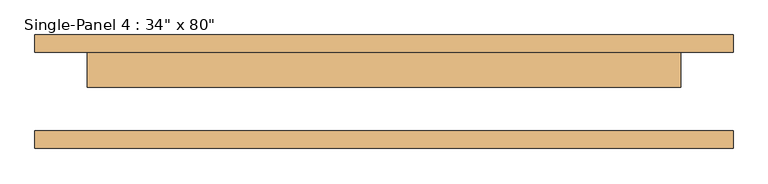
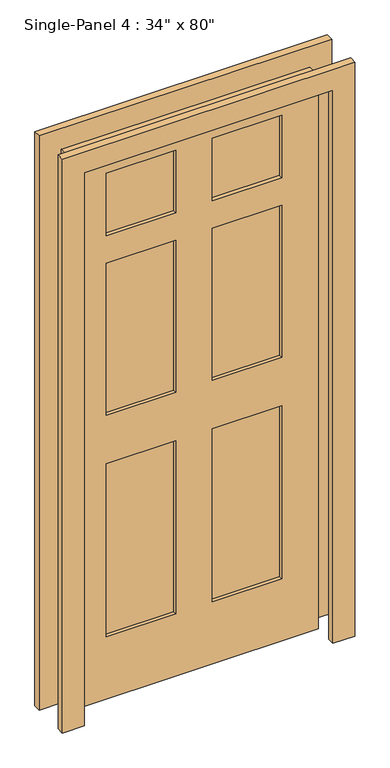
"""IFC4 building model written with IfcOpenShell, lengths in millimetres: door geometry."""

from ifc_helpers import new_model, si_unit, frame, origin, place, context, project, spatial, polyline, outline, extrude, source, transform, mapped, element, save


def door_2af65677(model_context):
    return source(origin(), model_context, "Body", "SweptSolid", [
        extrude(outline(polyline([(0.0, -508.0), (0.0, -431.8), (2032.0, -431.8), (2032.0, 431.8), (0.0, 431.8), (0.0, 508.0), (2108.2, 508.0), (2108.2, -508.0), (0.0, -508.0)])), frame((0.0, -82.55, 0.0), z_axis=(0.0, 1.0, 0.0), x_axis=(0.0, 0.0, 1.0)), (0.0, 0.0, 1.0), 25.4),
        extrude(outline(polyline([(0.0, 508.0), (2108.2, 508.0), (2108.2, -508.0), (0.0, -508.0), (0.0, -431.8), (2032.0, -431.8), (2032.0, 431.8), (0.0, 431.8), (0.0, 508.0)])), frame((0.0, 57.15, 0.0), z_axis=(0.0, 1.0, 0.0), x_axis=(0.0, 0.0, 1.0)), (0.0, 0.0, 1.0), 25.4),
        extrude(outline(polyline([(-63.5, 19.05), (-304.8, 19.05), (-304.8, 44.45), (-63.5, 44.45), (-63.5, 19.05)])), frame((0.0, 0.0, 1701.8), z_axis=(0.0, 0.0, 1.0), x_axis=(1.0, 0.0, 0.0)), (0.0, 0.0, 1.0), 228.6),
        extrude(outline(polyline([(304.8, 19.05), (63.5, 19.05), (63.5, 44.45), (304.8, 44.45), (304.8, 19.05)])), frame((0.0, 0.0, 1701.8), z_axis=(0.0, 0.0, 1.0), x_axis=(1.0, 0.0, 0.0)), (0.0, 0.0, 1.0), 228.6),
        extrude(outline(polyline([(-63.5, 19.05), (-304.8, 19.05), (-304.8, 44.45), (-63.5, 44.45), (-63.5, 19.05)])), frame((0.0, 0.0, 1041.4), z_axis=(0.0, 0.0, 1.0), x_axis=(1.0, 0.0, 0.0)), (0.0, 0.0, 1.0), 558.8),
        extrude(outline(polyline([(304.8, 19.05), (63.5, 19.05), (63.5, 44.45), (304.8, 44.45), (304.8, 19.05)])), frame((0.0, 0.0, 1041.4), z_axis=(0.0, 0.0, 1.0), x_axis=(1.0, 0.0, 0.0)), (0.0, 0.0, 1.0), 558.8),
        extrude(outline(polyline([(-63.5, 19.05), (-304.8, 19.05), (-304.8, 44.45), (-63.5, 44.45), (-63.5, 19.05)])), frame((0.0, 0.0, 228.6), z_axis=(0.0, 0.0, 1.0), x_axis=(1.0, 0.0, 0.0)), (0.0, 0.0, 1.0), 635.0),
        extrude(outline(polyline([(304.8, 19.05), (63.5, 19.05), (63.5, 44.45), (304.8, 44.45), (304.8, 19.05)])), frame((0.0, 0.0, 228.6), z_axis=(0.0, 0.0, 1.0), x_axis=(1.0, 0.0, 0.0)), (0.0, 0.0, 1.0), 635.0),
        extrude(outline(polyline([(2032.0, 431.8), (2032.0, -431.8), (0.0, -431.8), (0.0, 431.8), (2032.0, 431.8)]), holes=[polyline([(1930.4, -63.5), (1701.8, -63.5), (1701.8, -304.8), (1930.4, -304.8), (1930.4, -63.5)]), polyline([(1930.4, 304.8), (1701.8, 304.8), (1701.8, 63.5), (1930.4, 63.5), (1930.4, 304.8)]), polyline([(1600.2, -63.5), (1041.4, -63.5), (1041.4, -304.8), (1600.2, -304.8), (1600.2, -63.5)]), polyline([(1600.2, 304.8), (1041.4, 304.8), (1041.4, 63.5), (1600.2, 63.5), (1600.2, 304.8)]), polyline([(863.6, -63.5), (228.6, -63.5), (228.6, -304.8), (863.6, -304.8), (863.6, -63.5)]), polyline([(863.6, 304.8), (228.6, 304.8), (228.6, 63.5), (863.6, 63.5), (863.6, 304.8)])]), frame((0.0, 6.35, 0.0), z_axis=(0.0, 1.0, 0.0), x_axis=(0.0, 0.0, 1.0)), (0.0, 0.0, 1.0), 50.8),
    ])


if __name__ == "__main__":
    model = new_model("IFC4")
    model_context = context("Model", 3, world=origin())
    ifc_project = project(units=[si_unit("LENGTHUNIT", "METRE", prefix="MILLI")], contexts=[model_context])
    site = spatial("IfcSite", under=ifc_project)
    building = spatial("IfcBuilding", under=site)
    placement = place(None, origin())
    door_shape = door_2af65677(model_context)
    element("IfcDoor", 1, ObjectType="Single-Panel 4 : 34\" x 80\"", at=placement, inside=building, context=model_context, shape_type="MappedRepresentation", body=[
        mapped(door_shape, transform((0.0, 0.0, 0.0), x_axis=(1.0, 0.0, 0.0), y_axis=(0.0, 1.0, 0.0), z_axis=(0.0, 0.0, 1.0))),
    ])
    save(model, "model.ifc")
